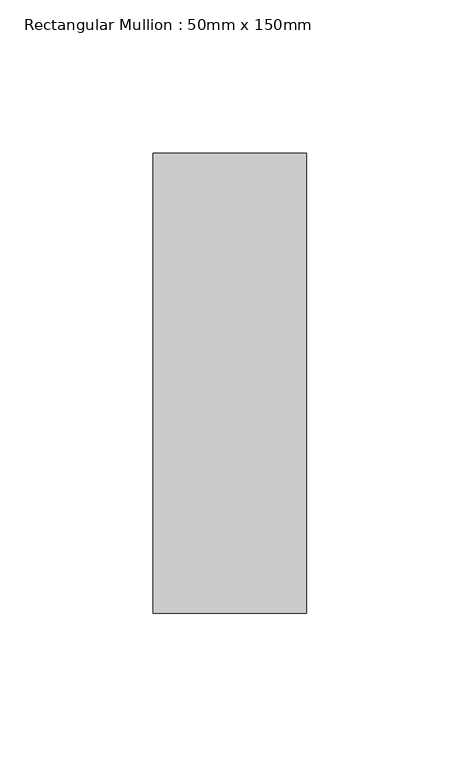
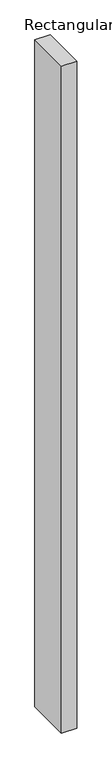
"""IFC4 building model written with IfcOpenShell, lengths in millimetres: member geometry, Rectangular Mullion : 50mm x 150mm."""

from ifc_helpers import new_model, si_unit, frame, origin, place, context, project, spatial, polyline, outline, extrude, source, transform, mapped, element, save


def rectangular_mullion_50mm_x_150mm_8d39f510(model_context):
    return source(origin(), model_context, "Body", "SweptSolid", [
        extrude(outline(polyline([(25.0, 75.0), (25.0, -75.0), (-25.0, -75.0), (-25.0, 75.0), (25.0, 75.0)])), frame((0.0, 0.0, -2305.4277428), z_axis=(0.0, 0.0, 1.0), x_axis=(1.0, 0.0, 0.0)), (0.0, 0.0, 1.0), 2305.4277428),
    ])


if __name__ == "__main__":
    model = new_model("IFC4")
    model_context = context("Model", 3, world=origin())
    ifc_project = project(units=[si_unit("LENGTHUNIT", "METRE", prefix="MILLI")], contexts=[model_context])
    site = spatial("IfcSite", under=ifc_project)
    building = spatial("IfcBuilding", under=site)
    placement = place(None, origin())
    rectangular_mullion_50mm_x_150mm_shape = rectangular_mullion_50mm_x_150mm_8d39f510(model_context)
    element("IfcMember", 1, ObjectType="Rectangular Mullion : 50mm x 150mm", at=placement, inside=building, context=model_context, shape_type="MappedRepresentation", body=[
        mapped(rectangular_mullion_50mm_x_150mm_shape, transform((0.0, 0.0, 0.0), x_axis=(1.0, 0.0, 0.0), y_axis=(0.0, 1.0, 0.0), z_axis=(0.0, 0.0, 1.0))),
    ])
    save(model, "model.ifc")
